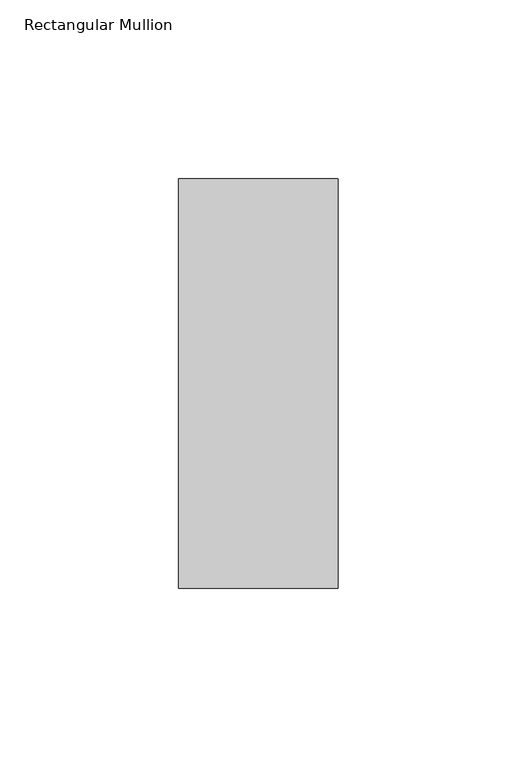
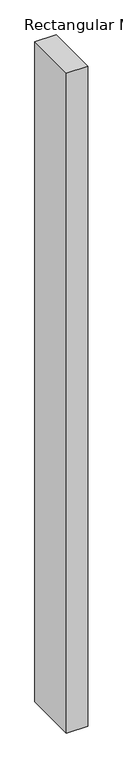
"""IFC4 building model written with IfcOpenShell, lengths in millimetres: member geometry, Rectangular Mullion."""

from ifc_helpers import new_model, si_unit, frame, origin, place, context, project, spatial, polyline, outline, extrude, source, transform, mapped, element, save


def rectangular_mullion_c33a5a32(model_context):
    return source(origin(), model_context, "Body", "SweptSolid", [
        extrude(outline(polyline([(22.2392248, 56.3844454), (22.2392248, -57.9084454), (-22.2107752, -57.9084454), (-22.2107752, 56.3844454), (22.2392248, 56.3844454)])), frame((0.0, 0.0, -1457.3392248), z_axis=(0.0, 0.0, 1.0), x_axis=(1.0, 0.0, 0.0)), (0.0, 0.0, 1.0), 1457.3392248),
    ])


if __name__ == "__main__":
    model = new_model("IFC4")
    model_context = context("Model", 3, world=origin())
    ifc_project = project(units=[si_unit("LENGTHUNIT", "METRE", prefix="MILLI")], contexts=[model_context])
    site = spatial("IfcSite", under=ifc_project)
    building = spatial("IfcBuilding", under=site)
    placement = place(None, origin())
    rectangular_mullion_shape = rectangular_mullion_c33a5a32(model_context)
    element("IfcMember", 1, ObjectType="Rectangular Mullion", at=placement, inside=building, context=model_context, shape_type="MappedRepresentation", body=[
        mapped(rectangular_mullion_shape, transform((0.0, 0.0, 0.0), x_axis=(1.0, 0.0, 0.0), y_axis=(0.0, 1.0, 0.0), z_axis=(0.0, 0.0, 1.0))),
    ])
    save(model, "model.ifc")
